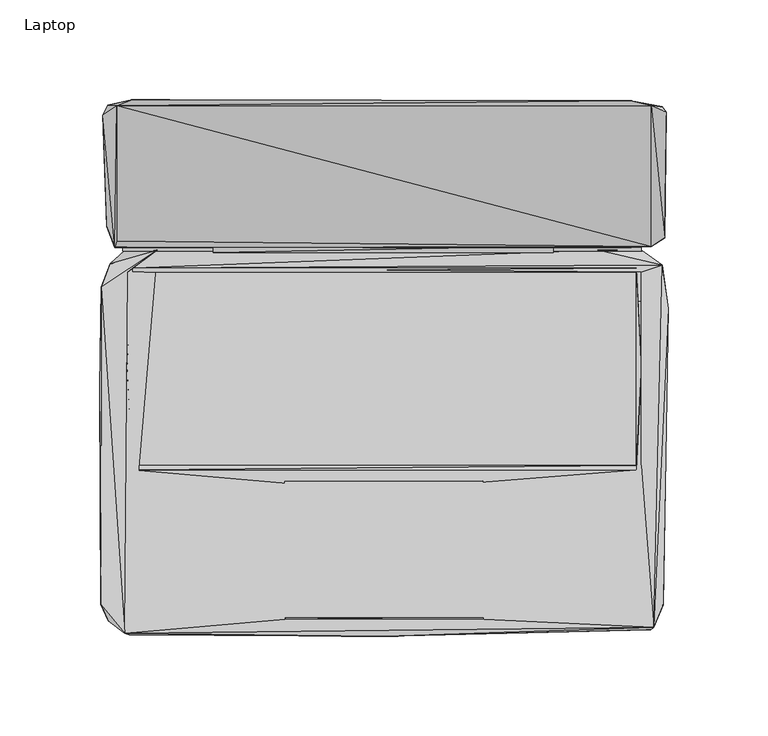
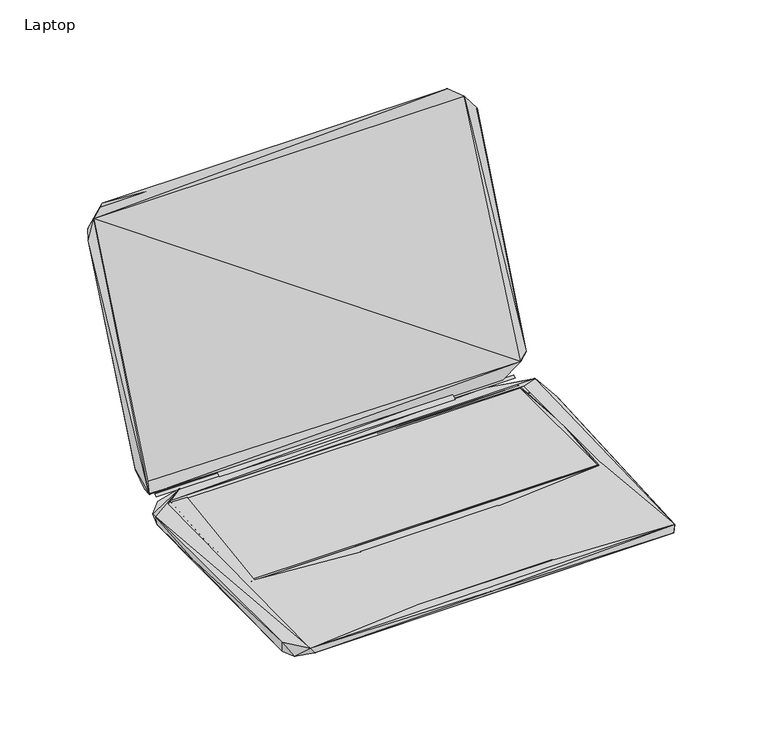
"""IFC4 building model written with IfcOpenShell, lengths in millimetres: furniture geometry, Laptop."""

import ifcopenshell
import ifcopenshell.guid

model = None  # the IFC model being written
_history = None  # IfcOwnerHistory: only IFC2X3 demands one
_inside = {}  # id of a spatial element -> (the spatial element, [elements in it])
_under = {}  # id of a project, library or spatial element -> (it, [spatial elements below it])
_declared = {}  # id of a project -> (the project, [libraries it declares])
_typed = {}  # id of a type object -> (the type object, [elements of that type])
_made_of = {}  # id of a material, layer set ... -> (it, [elements and type objects made of it])


def new_model(schema):
    """Start an empty IFC model of exactly this schema.

    Asked for "IFC4X3", IfcOpenShell would pick the latest addendum, in which some entities
    have other attributes; the version numbers below select the first issue.
    IFC2X3 requires an IfcOwnerHistory on every rooted entity: one is made here for all.
    """
    global model, _history
    if schema == "IFC4X3":
        model = ifcopenshell.file(schema_version=(4, 3, 0, 0))
    else:
        model = ifcopenshell.file(schema=schema)
    _inside.clear()
    _under.clear()
    _declared.clear()
    _typed.clear()
    _made_of.clear()
    _history = None
    if model.schema == "IFC2X3":
        org = make("IfcOrganization", Name="unknown")
        user = make(
            "IfcPersonAndOrganization",
            ThePerson=make("IfcPerson", FamilyName="unknown"),
            TheOrganization=org,
        )
        app = make(
            "IfcApplication",
            ApplicationDeveloper=org,
            Version="unknown",
            ApplicationFullName="unknown",
            ApplicationIdentifier="unknown",
        )
        _history = make(
            "IfcOwnerHistory",
            OwningUser=user,
            OwningApplication=app,
            ChangeAction="ADDED",
            CreationDate=0,
        )
    return model


def make(cls, **values):
    """One entity of the class cls with the attributes given. An attribute that is None is left unset."""
    return model.create_entity(
        cls, **{name: value for name, value in values.items() if value is not None}
    )


def rooted(cls, **values):
    """An entity with a GlobalId (a new one), such as an element, a storey or a relation."""
    return make(cls, GlobalId=ifcopenshell.guid.new(), OwnerHistory=_history, **values)


def si_unit(unit_type, name, prefix=None):
    """IfcSIUnit, for example si_unit("LENGTHUNIT", "METRE", prefix="MILLI")."""
    return make("IfcSIUnit", UnitType=unit_type, Prefix=prefix, Name=name)


def assignment(units):
    """IfcUnitAssignment: the units of a project."""
    return None if units is None else make("IfcUnitAssignment", Units=units)


def point(xyz):
    """IfcCartesianPoint."""
    return None if xyz is None else make("IfcCartesianPoint", Coordinates=xyz)


def direction(xyz):
    """IfcDirection."""
    return None if xyz is None else make("IfcDirection", DirectionRatios=xyz)


def frame(location, z_axis=None, x_axis=None):
    """IfcAxis2Placement3D, a coordinate frame: its origin and axes. An axis left out is left unset."""
    return make(
        "IfcAxis2Placement3D",
        Location=point(location),
        Axis=direction(z_axis),
        RefDirection=direction(x_axis),
    )


def origin():
    """The frame at (0, 0, 0) with its axes left unset."""
    return frame((0.0, 0.0, 0.0))


def place(relative_to, where):
    """IfcLocalPlacement: puts the frame where relative to a parent placement (None: the world)."""
    return make(
        "IfcLocalPlacement", PlacementRelTo=relative_to, RelativePlacement=where
    )


def context(
    kind, dimensions, precision=None, world=None, true_north=None, identifier=None
):
    """IfcGeometricRepresentationContext, for example the 3D "Model" context."""
    return make(
        "IfcGeometricRepresentationContext",
        ContextIdentifier=identifier,
        ContextType=kind,
        CoordinateSpaceDimension=dimensions,
        Precision=precision,
        WorldCoordinateSystem=world,
        TrueNorth=true_north,
    )


def project(units=None, contexts=None):
    """IfcProject with its units and contexts."""
    return rooted(
        "IfcProject",
        Name="project",
        RepresentationContexts=contexts,
        UnitsInContext=assignment(units),
    )


def spatial(cls, under=None, at=None, **own):
    """A site, building, storey or space (cls), placed at a placement, below another one or the project."""
    s = rooted(cls, ObjectPlacement=at, **own)
    if under is not None:
        _under.setdefault(under.id(), (under, []))[1].append(s)
    return s


def point_list(points):
    """IfcCartesianPointList2D or 3D."""
    cls = (
        "IfcCartesianPointList2D" if len(points[0]) == 2 else "IfcCartesianPointList3D"
    )
    return make(cls, CoordList=points)


def triangles(points, corners, closed=None, point_numbers=None):
    """IfcTriangulatedFaceSet: each triangle names its three corners, points numbered from 1."""
    return make(
        "IfcTriangulatedFaceSet",
        Coordinates=point_list(points),
        Closed=closed,
        CoordIndex=corners,
        PnIndex=point_numbers,
    )


def shape(context_of_items, identifier, shape_type, items):
    """IfcShapeRepresentation: the items that make up one representation, for example the "Body"."""
    return make(
        "IfcShapeRepresentation",
        ContextOfItems=context_of_items,
        RepresentationIdentifier=identifier,
        RepresentationType=shape_type,
        Items=items,
    )


def source(mapping_origin, context_of_items, identifier, shape_type, items):
    """IfcRepresentationMap: a shape defined once, which mapped items show again and again."""
    return make(
        "IfcRepresentationMap",
        MappingOrigin=mapping_origin,
        MappedRepresentation=shape(context_of_items, identifier, shape_type, items),
    )


def transform(
    local_origin,
    x_axis=None,
    y_axis=None,
    z_axis=None,
    scale=None,
    scale2=None,
    scale3=None,
    uniform=True,
):
    """IfcCartesianTransformationOperator3D, or its non-uniform kind. x_axis, y_axis, z_axis: its Axis1, 2, 3."""
    if uniform:
        return make(
            "IfcCartesianTransformationOperator3D",
            Axis1=direction(x_axis),
            Axis2=direction(y_axis),
            LocalOrigin=point(local_origin),
            Scale=scale,
            Axis3=direction(z_axis),
        )
    return make(
        "IfcCartesianTransformationOperator3DnonUniform",
        Axis1=direction(x_axis),
        Axis2=direction(y_axis),
        LocalOrigin=point(local_origin),
        Scale=scale,
        Axis3=direction(z_axis),
        Scale2=scale2,
        Scale3=scale3,
    )


def mapped(mapping_source, mapping_target):
    """IfcMappedItem: shows the shape of a source again, moved by a transform."""
    return make(
        "IfcMappedItem", MappingSource=mapping_source, MappingTarget=mapping_target
    )


def made_of(thing, what):
    """Note that an element or type object is made of a material, layer set ...; save() writes the relation."""
    if what is not None:
        _made_of.setdefault(what.id(), (what, []))[1].append(thing)
    return thing


def element(
    cls,
    number,
    at=None,
    inside=None,
    cuts=None,
    type_object=None,
    material=None,
    context=None,
    identifier="Body",
    shape_type=None,
    held_by="IfcProductDefinitionShape",
    body=None,
    shapes=None,
    **own,
):
    """One element of the class cls, such as IfcWall. Its Tag is "e" and its number.

    at: its placement. inside: the storey or other place that contains it. cuts: it is an
    opening in that element (IfcRelVoidsElement). A single representation is given by context,
    identifier, shape_type and body (its items); several are given by shapes. held_by: the class
    of the entity that holds the representations. save() writes the other relations.
    """
    e = rooted(cls, Tag="e%d" % number, ObjectPlacement=at, **own)
    if body is not None:
        shapes = [shape(context, identifier, shape_type, body)]
    if shapes is not None:
        e.Representation = make(held_by, Representations=shapes)
    if inside is not None:
        _inside.setdefault(inside.id(), (inside, []))[1].append(e)
    if cuts is not None:
        rooted(
            "IfcRelVoidsElement", RelatingBuildingElement=cuts, RelatedOpeningElement=e
        )
    if type_object is not None:
        _typed.setdefault(type_object.id(), (type_object, []))[1].append(e)
    return made_of(e, material)


def aggregate(whole, parts):
    """IfcRelAggregates: a whole, such as a stair, and the parts it consists of."""
    return rooted("IfcRelAggregates", RelatingObject=whole, RelatedObjects=parts)


def save(model, path):
    """Write the relations noted so far, then the file.

    IfcRelAggregates (storeys below a building ...), IfcRelContainedInSpatialStructure (elements
    in a storey), IfcRelDefinesByType, IfcRelAssociatesMaterial and IfcRelDeclares: one each for
    every whole, place, type object, material and project.
    """
    for whole, parts in _under.values():
        aggregate(whole, parts)
    for where, things in _inside.values():
        rooted(
            "IfcRelContainedInSpatialStructure",
            RelatedElements=things,
            RelatingStructure=where,
        )
    for kind, things in _typed.values():
        rooted("IfcRelDefinesByType", RelatedObjects=things, RelatingType=kind)
    for what, things in _made_of.values():
        rooted("IfcRelAssociatesMaterial", RelatedObjects=things, RelatingMaterial=what)
    for by, libraries in _declared.values():
        rooted("IfcRelDeclares", RelatingContext=by, RelatedDefinitions=libraries)
    model.write(path)


def laptop_f4ce3611(model_context):
    return source(origin(), model_context, "Body", "Tessellation", [
        triangles([(-85.8696133, 57.8298958, 8.2602789), (84.9312894, 57.8299231, 8.2602539), (85.0087737, 61.2395351, 10.5074948), (-85.8696133, 61.3169922, 10.5075209), (-137.7401027, 52.3543761, 1.5402074), (-113.960831, 59.2510936, 8.7468771), (-130.2234648, 58.9411289, 4.4848686), (139.3509691, 49.642237, 1.0752185), (-136.190279, 64.9079385, 12.156488), (139.2734756, 68.4725738, 19.2856279), (119.0483112, 60.1810196, 7.7394582), (-135.2603758, 60.5684369, 10.7616489), (-134.4079841, 63.8230574, 18.2782857), (-134.4079569, 131.7997585, 178.7184699), (134.2365556, 60.8784425, 18.2782448), (-141.3046562, 126.9178072, 167.3272684), (-131.3083277, 58.7086576, 8.5918975), (129.1996356, 58.7086939, 8.5918589), (-131.3083277, 60.5684414, 9.5992823), (129.1996356, 60.5684777, 9.5992437), (107.357673, 59.1736319, 8.3593877), (129.2771291, 59.096143, 4.5623206), (-128.9061034, 48.0923725, 8.8243688), (-126.4263946, 50.1846321, 8.8243688), (-126.4263855, 48.1698614, 8.2819311), (126.6424334, 50.1846684, 8.8243308), (129.1996538, 48.1698977, 8.9018214), (139.5834404, 51.7344966, 8.6693467), (126.6424516, 48.1698977, 8.2818931), (140.9007927, 65.2954376, 20.9904339), (134.236592, 131.7222832, 178.7959179), (141.8307233, 128.6226359, 168.8770466), (139.8159389, 131.1798381, 170.194408), (-138.9024409, 132.0322116, 172.5191935), (-126.6588387, 134.8993967, 186.1576233), (123.5428043, 134.2794854, 186.7000321), (-142.3120347, -118.7969639, 8.2819192), (-141.4596431, -116.8597002, 0.2228445), (-138.5924852, -127.2434868, 1.6176829), (-130.4558998, -133.5202749, 8.6693717), (-143.0094849, -10.0429564, 5.0273032), (-142.0795725, 40.7222146, 7.8169869), (-140.2197932, 41.9620735, 0.2228582), (140.2033971, -119.1068832, 0.3002927), (-127.976191, -134.2951821, 4.6398336), (134.0041116, -131.7379436, 3.3224458), (-0.0909228, -135.0700894, 7.7394593), (-49.8966909, -126.4685796, 8.9018328), (-48.5793522, -58.0269314, 8.5143831), (135.4764418, -130.4980938, 8.7468231), (50.1127887, -126.4685523, 8.901818), (-129.0610539, -49.1154659, 8.9018515), (-126.2713805, -51.2077255, 8.9018515), (-49.8966909, -125.3837075, 8.5918692), (49.8028286, -125.3061778, 8.5918538), (49.6478326, -56.9420412, 8.5918606), (-49.9741889, -57.0195483, 8.5918754), (-49.1992725, -123.8338839, 8.5143774), (48.098018, -124.8412443, 8.5143627), (48.1754978, -57.4844818, 8.5143689), (142.8380927, 29.8735059, 6.8095578), (126.6424697, -51.2076892, 8.9018129), (129.1996719, -49.115425, 8.9018123), (141.4432378, 33.0506421, 0.1453236), (-126.4263674, -51.2077255, 8.8243603), (126.6424697, -49.115425, 8.2818846), (-126.4263674, -49.1154659, 8.2819232), (-129.0610721, 0.4183443, 8.8243654), (129.1996538, -1.3639113, 8.8243262), (-139.3674016, 71.0297396, 24.9425228)], [[1, 2, 3], [1, 3, 4], [5, 6, 7], [5, 7, 8], [9, 10, 11], [9, 11, 12], [12, 13, 14], [12, 11, 15], [12, 15, 13], [12, 14, 16], [17, 18, 19], [19, 18, 20], [7, 6, 21], [7, 21, 22], [7, 22, 8], [23, 24, 6], [24, 25, 26], [24, 21, 6], [24, 27, 28], [24, 28, 21], [25, 29, 26], [21, 28, 22], [11, 30, 15], [11, 10, 30], [22, 28, 8], [15, 30, 31], [10, 32, 30], [10, 33, 32], [30, 32, 31], [16, 14, 34], [34, 35, 33], [34, 14, 35], [14, 36, 35], [14, 31, 36], [35, 36, 33], [36, 31, 33], [31, 32, 33], [37, 38, 39], [37, 39, 40], [37, 41, 38], [37, 42, 41], [37, 40, 42], [38, 41, 43], [38, 44, 39], [38, 43, 44], [39, 45, 40], [39, 46, 45], [39, 44, 46], [40, 23, 6], [40, 45, 47], [40, 48, 49], [40, 47, 50], [40, 51, 48], [40, 50, 51], [40, 52, 23], [40, 53, 52], [40, 49, 53], [40, 6, 42], [45, 46, 47], [54, 55, 56], [54, 56, 57], [48, 58, 49], [48, 59, 58], [48, 51, 59], [47, 46, 50], [51, 50, 60], [46, 44, 50], [50, 61, 28], [50, 44, 61], [50, 62, 60], [50, 63, 62], [50, 27, 63], [50, 28, 27], [44, 64, 61], [44, 43, 64], [65, 66, 67], [65, 62, 66], [65, 67, 68], [67, 25, 68], [53, 49, 60], [53, 60, 62], [66, 62, 69], [66, 69, 29], [41, 42, 43], [68, 25, 24], [69, 26, 29], [42, 5, 43], [42, 6, 5], [43, 5, 8], [43, 8, 64], [64, 8, 61], [61, 8, 28], [70, 9, 12], [70, 12, 16], [70, 10, 9], [70, 34, 33], [70, 33, 10], [70, 16, 34]], closed=False),
        triangles([(-126.4366229, -49.1418678, 8.2434927), (126.5928725, -49.1418315, 8.2434546), (-126.436632, 48.2257627, 8.2435012), (126.5928634, 48.2258036, 8.2434631)], [[1, 2, 3], [2, 4, 3]], closed=False),
        triangles([(-134.4028155, 63.8058392, 18.2447916), (134.2841726, 60.8612242, 18.2447507), (-134.4027791, 131.8414257, 178.6953063), (134.2841999, 131.686466, 178.69527)], [[1, 2, 3], [2, 4, 3]], closed=False),
    ])


if __name__ == "__main__":
    model = new_model("IFC4")
    model_context = context("Model", 3, world=origin())
    ifc_project = project(units=[si_unit("LENGTHUNIT", "METRE", prefix="MILLI")], contexts=[model_context])
    site = spatial("IfcSite", under=ifc_project)
    building = spatial("IfcBuilding", under=site)
    placement = place(None, origin())
    laptop_shape = laptop_f4ce3611(model_context)
    element("IfcFurniture", 1, ObjectType="Laptop", at=placement, inside=building, context=model_context, shape_type="MappedRepresentation", body=[
        mapped(laptop_shape, transform((0.0, 0.0, 0.0), x_axis=(1.0, 0.0, 0.0), y_axis=(0.0, 1.0, 0.0), z_axis=(0.0, 0.0, 1.0))),
    ])
    save(model, "model.ifc")
